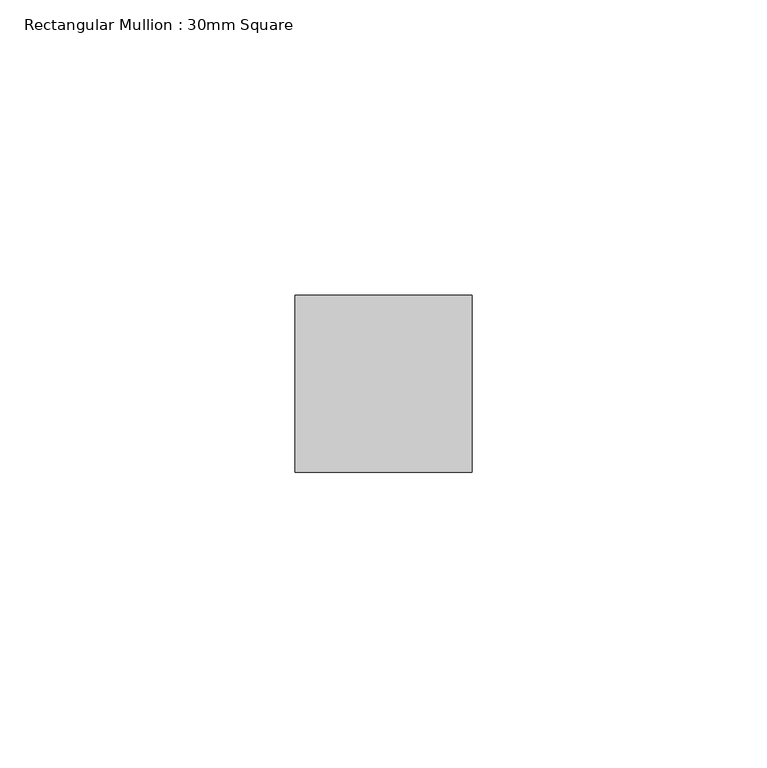
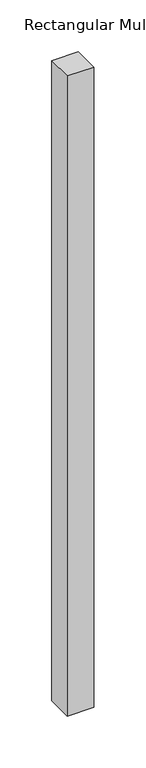
"""IFC4 building model written with IfcOpenShell, lengths in millimetres: member geometry, Rectangular Mullion : 30mm Square."""

from ifc_helpers import new_model, si_unit, frame, origin, place, context, project, spatial, polyline, outline, extrude, source, transform, mapped, element, save


def rectangular_mullion_30mm_square_2ef36a6c(model_context):
    return source(origin(), model_context, "Body", "SweptSolid", [
        extrude(outline(polyline([(0.0, 15.0), (0.0, -15.0), (-30.0, -15.0), (-30.0, 15.0), (0.0, 15.0)])), frame((0.0, 0.0, -757.3076815), z_axis=(0.0, 0.0, 1.0), x_axis=(1.0, 0.0, 0.0)), (0.0, 0.0, 1.0), 757.3076815),
    ])


if __name__ == "__main__":
    model = new_model("IFC4")
    model_context = context("Model", 3, world=origin())
    ifc_project = project(units=[si_unit("LENGTHUNIT", "METRE", prefix="MILLI")], contexts=[model_context])
    site = spatial("IfcSite", under=ifc_project)
    building = spatial("IfcBuilding", under=site)
    placement = place(None, origin())
    rectangular_mullion_30mm_square_shape = rectangular_mullion_30mm_square_2ef36a6c(model_context)
    element("IfcMember", 1, ObjectType="Rectangular Mullion : 30mm Square", at=placement, inside=building, context=model_context, shape_type="MappedRepresentation", body=[
        mapped(rectangular_mullion_30mm_square_shape, transform((0.0, 0.0, 0.0), x_axis=(1.0, 0.0, 0.0), y_axis=(0.0, 1.0, 0.0), z_axis=(0.0, 0.0, 1.0))),
    ])
    save(model, "model.ifc")
